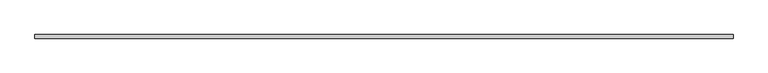
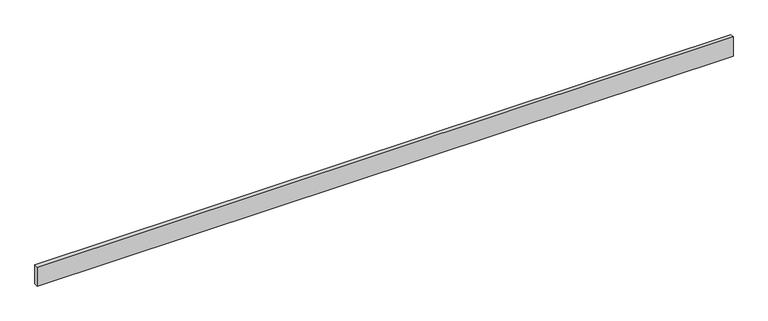
"""IFC4 building model written with IfcOpenShell, lengths in millimetres: beam geometry."""

from ifc_helpers import new_model, si_unit, frame, origin, place, context, project, spatial, polyline, outline, extrude, source, transform, mapped, element, save


def beam_8cdec2b8(model_context):
    return source(origin(), model_context, "Body", "SweptSolid", [
        extrude(outline(polyline([(3459.2, -18.0), (-3459.2, -18.0), (-3459.2, 18.0), (3459.2, 18.0), (3459.2, -18.0)])), frame((0.0, 0.0, -100.0), z_axis=(0.0, 0.0, 1.0), x_axis=(1.0, 0.0, 0.0)), (0.0, 0.0, 1.0), 200.0),
    ])


if __name__ == "__main__":
    model = new_model("IFC4")
    model_context = context("Model", 3, world=origin())
    ifc_project = project(units=[si_unit("LENGTHUNIT", "METRE", prefix="MILLI")], contexts=[model_context])
    site = spatial("IfcSite", under=ifc_project)
    building = spatial("IfcBuilding", under=site)
    placement = place(None, origin())
    beam_shape = beam_8cdec2b8(model_context)
    element("IfcBeam", 1, at=placement, inside=building, context=model_context, shape_type="MappedRepresentation", body=[
        mapped(beam_shape, transform((0.0, 0.0, 0.0), x_axis=(1.0, 0.0, 0.0), y_axis=(0.0, 1.0, 0.0), z_axis=(0.0, 0.0, 1.0))),
    ])
    save(model, "model.ifc")
